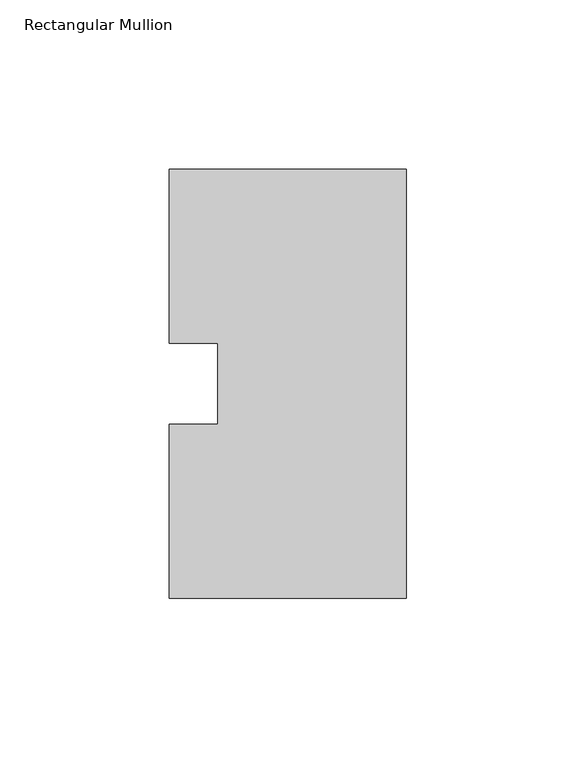
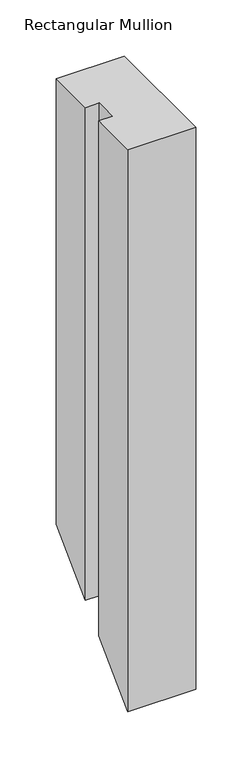
"""IFC4 building model written with IfcOpenShell, lengths in millimetres: member geometry, Rectangular Mullion."""

from ifc_helpers import new_model, si_unit, origin, place, context, project, spatial, faceted_brep, source, transform, mapped, element, save


def rectangular_mullion_117964dc(model_context):
    return source(origin(), model_context, "Body", "Brep", [
        faceted_brep([(-69.85, 0.26035, 0.0), (0.0, 0.26035, 0.0), (0.0, 126.75235, 0.0), (-69.85, 126.75235, 0.0), (-69.85, 75.40625, 0.0), (-55.5625, 75.40625, 0.0), (-55.5625, 51.60645, 0.0), (-69.85, 51.60645, 0.0), (-55.5625, 75.40625, -534.19375), (-55.5625, 51.60645, -557.99355), (-69.85, 75.40625, -534.19375), (-69.85, 126.75235, -482.84765), (0.0, 126.75235, -482.84765), (0.0, 0.26035, -609.33965), (-69.85, 51.60645, -557.99355), (-69.85, 0.26035, -609.33965)], [[[0, 1, 2, 3, 4, 5, 6, 7]], [[6, 5, 8, 9]], [[5, 4, 10, 8]], [[4, 3, 11, 10]], [[3, 2, 12, 11]], [[2, 1, 13, 12]], [[7, 6, 9, 14]], [[1, 0, 15, 13]], [[0, 7, 14, 15]], [[15, 14, 9, 8, 10, 11, 12, 13]]]),
    ])


if __name__ == "__main__":
    model = new_model("IFC4")
    model_context = context("Model", 3, world=origin())
    ifc_project = project(units=[si_unit("LENGTHUNIT", "METRE", prefix="MILLI")], contexts=[model_context])
    site = spatial("IfcSite", under=ifc_project)
    building = spatial("IfcBuilding", under=site)
    placement = place(None, origin())
    rectangular_mullion_shape = rectangular_mullion_117964dc(model_context)
    element("IfcMember", 1, ObjectType="Rectangular Mullion", at=placement, inside=building, context=model_context, shape_type="MappedRepresentation", body=[
        mapped(rectangular_mullion_shape, transform((0.0, 0.0, 0.0), x_axis=(1.0, 0.0, 0.0), y_axis=(0.0, 1.0, 0.0), z_axis=(0.0, 0.0, 1.0))),
    ])
    save(model, "model.ifc")
